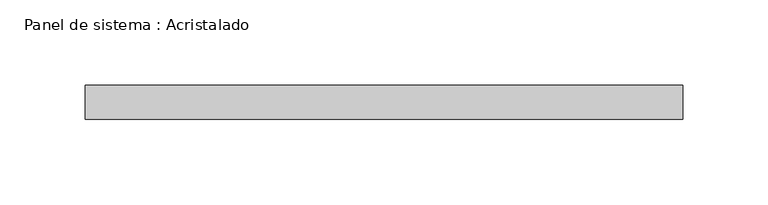
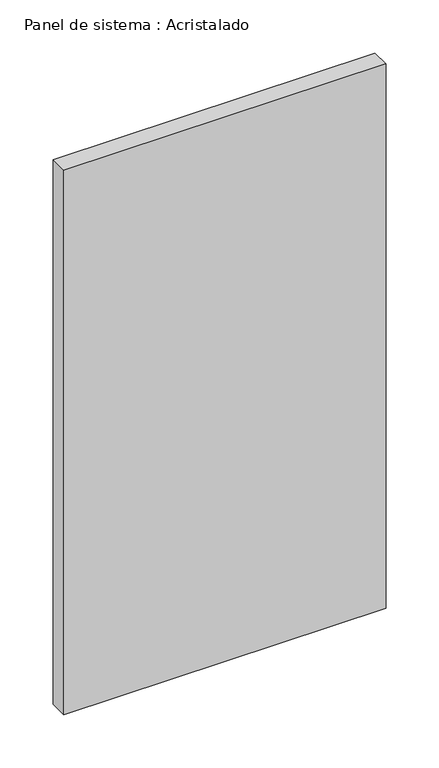
"""IFC4 building model written with IfcOpenShell, lengths in millimetres: plate geometry, Panel de sistema : Acristalado."""

from ifc_helpers import new_model, si_unit, origin, origin_with_axes, place, context, project, spatial, polyline, outline, extrude, source, transform, mapped, element, save


def panel_de_sistema_acristalado_bd177c04(model_context):
    return source(origin(), model_context, "Body", "SweptSolid", [
        extrude(outline(polyline([(175.0, -10.0), (-175.0, -10.0), (-175.0, 10.0), (175.0, 10.0), (175.0, -10.0)])), origin_with_axes(), (0.0, 0.0, 1.0), 625.0),
    ])


if __name__ == "__main__":
    model = new_model("IFC4")
    model_context = context("Model", 3, world=origin())
    ifc_project = project(units=[si_unit("LENGTHUNIT", "METRE", prefix="MILLI")], contexts=[model_context])
    site = spatial("IfcSite", under=ifc_project)
    building = spatial("IfcBuilding", under=site)
    placement = place(None, origin())
    panel_de_sistema_acristalado_shape = panel_de_sistema_acristalado_bd177c04(model_context)
    element("IfcPlate", 1, ObjectType="Panel de sistema : Acristalado", at=placement, inside=building, context=model_context, shape_type="MappedRepresentation", body=[
        mapped(panel_de_sistema_acristalado_shape, transform((0.0, 0.0, 0.0), x_axis=(1.0, 0.0, 0.0), y_axis=(0.0, 1.0, 0.0), z_axis=(0.0, 0.0, 1.0))),
    ])
    save(model, "model.ifc")
